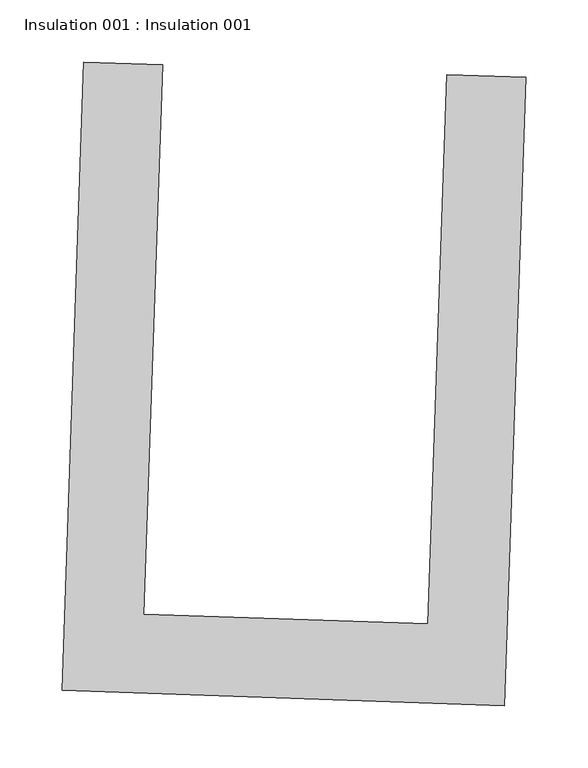
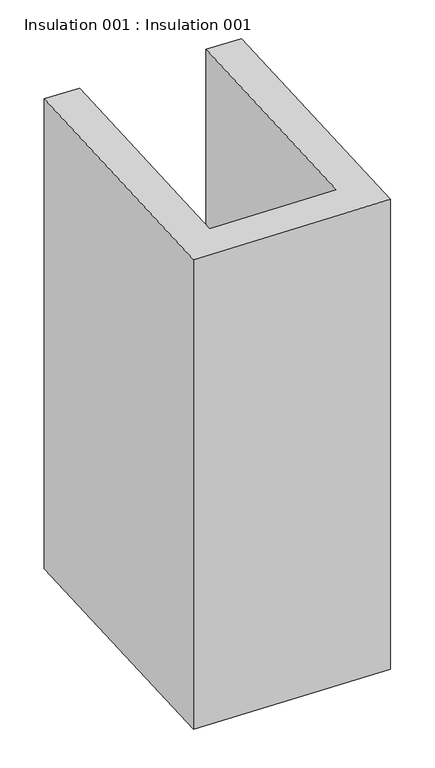
"""IFC4 building model written with IfcOpenShell, lengths in millimetres: proxy geometry, Insulation 001 : Insulation 001."""

from ifc_helpers import new_model, si_unit, frame, origin, place, context, project, spatial, polyline, outline, extrude, source, transform, mapped, element, save


def insulation_001_insulation_001_52499334(model_context):
    return source(origin(), model_context, "Body", "SweptSolid", [
        extrude(outline(polyline([(32303.73527, -15163.7880662), (32367.1981192, -15165.9598793), (32352.1040178, -15607.0266811), (32580.5702748, -15614.8452084), (32595.6643762, -15173.7784066), (32659.1272254, -15175.9502198), (32641.8613108, -15680.4798709), (32286.4693553, -15668.3177171), (32303.73527, -15163.7880662)])), frame((0.0, 0.0, 1597.975708), z_axis=(0.0, 0.0, 1.0), x_axis=(1.0, 0.0, 0.0)), (0.0, 0.0, 1.0), 911.86),
    ])


if __name__ == "__main__":
    model = new_model("IFC4")
    model_context = context("Model", 3, world=origin())
    ifc_project = project(units=[si_unit("LENGTHUNIT", "METRE", prefix="MILLI")], contexts=[model_context])
    site = spatial("IfcSite", under=ifc_project)
    building = spatial("IfcBuilding", under=site)
    placement = place(None, origin())
    insulation_001_insulation_001_shape = insulation_001_insulation_001_52499334(model_context)
    element("IfcBuildingElementProxy", 1, Name="Insulation 001 : Insulation 001", ObjectType="Insulation 001 : Insulation 001", at=placement, inside=building, context=model_context, shape_type="MappedRepresentation", body=[
        mapped(insulation_001_insulation_001_shape, transform((0.0, 0.0, 0.0), x_axis=(1.0, 0.0, 0.0), y_axis=(0.0, 1.0, 0.0), z_axis=(0.0, 0.0, 1.0))),
    ])
    save(model, "model.ifc")
